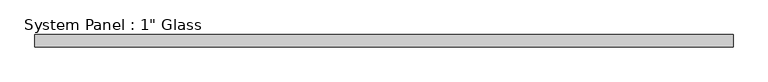
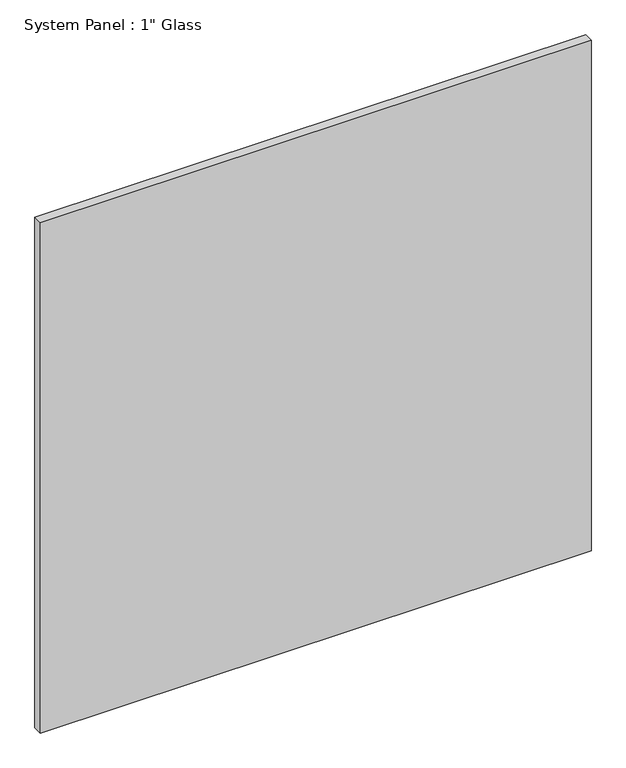
"""IFC4 building model written with IfcOpenShell, lengths in millimetres: plate geometry."""

from ifc_helpers import new_model, si_unit, origin, origin_with_axes, place, context, project, spatial, polyline, outline, extrude, source, transform, mapped, element, save


def plate_dc5b0a8e(model_context):
    return source(origin(), model_context, "Body", "SweptSolid", [
        extrude(outline(polyline([(727.0767704, -12.7), (-727.0767704, -12.7), (-727.0767704, 12.7), (727.0767704, 12.7), (727.0767704, -12.7)])), origin_with_axes(), (0.0, 0.0, 1.0), 1424.9417704),
    ])


if __name__ == "__main__":
    model = new_model("IFC4")
    model_context = context("Model", 3, world=origin())
    ifc_project = project(units=[si_unit("LENGTHUNIT", "METRE", prefix="MILLI")], contexts=[model_context])
    site = spatial("IfcSite", under=ifc_project)
    building = spatial("IfcBuilding", under=site)
    placement = place(None, origin())
    plate_shape = plate_dc5b0a8e(model_context)
    element("IfcPlate", 1, ObjectType="System Panel : 1\" Glass", at=placement, inside=building, context=model_context, shape_type="MappedRepresentation", body=[
        mapped(plate_shape, transform((0.0, 0.0, 0.0), x_axis=(1.0, 0.0, 0.0), y_axis=(0.0, 1.0, 0.0), z_axis=(0.0, 0.0, 1.0))),
    ])
    save(model, "model.ifc")
